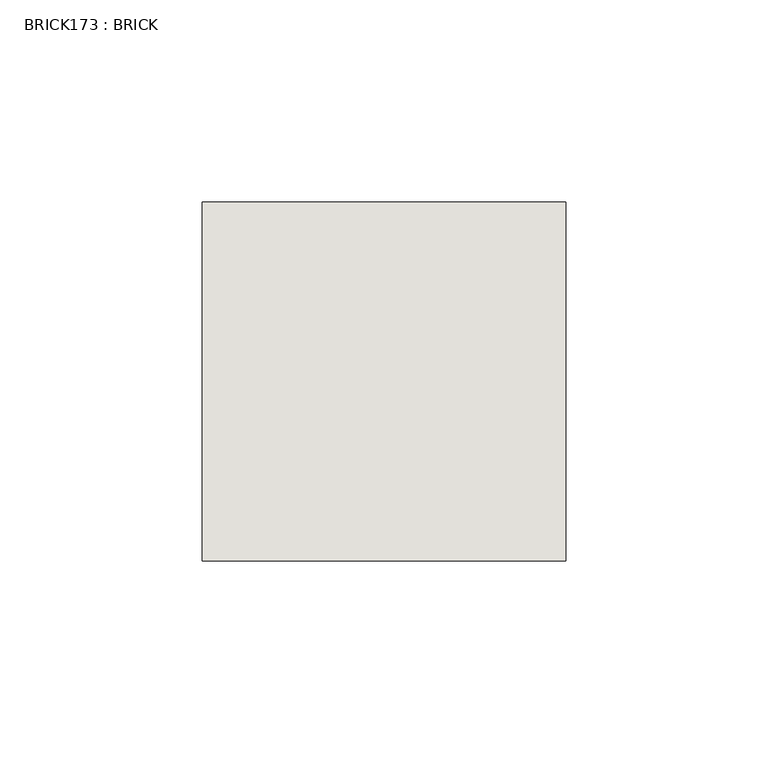
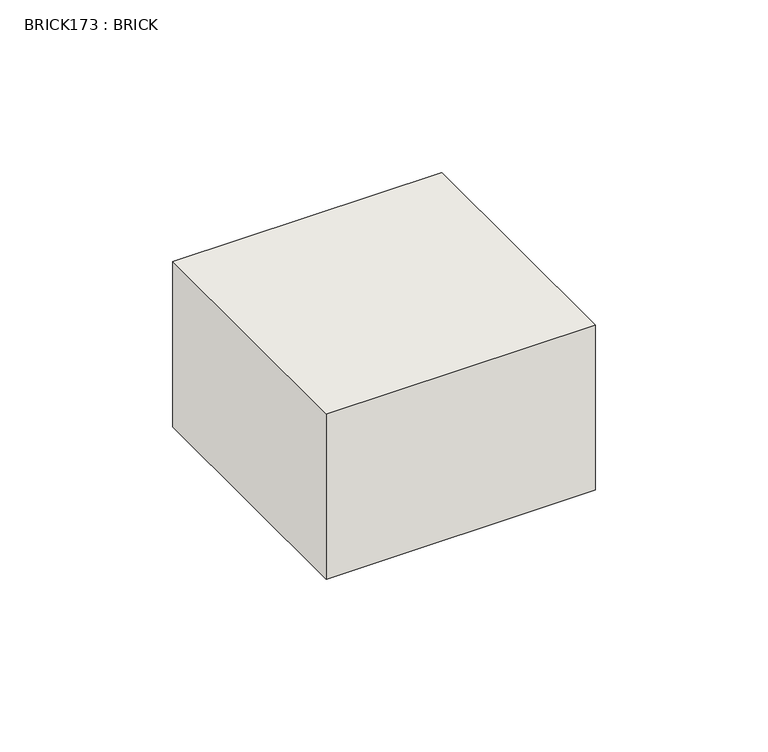
"""IFC4 building model written with IfcOpenShell, lengths in millimetres: wall geometry, BRICK173 : BRICK."""

from ifc_helpers import new_model, si_unit, frame, origin, place, context, project, spatial, polyline, outline, extrude, source, transform, mapped, element, save


def brick173_brick_fbd5df20(model_context):
    return source(origin(), model_context, "Body", "SweptSolid", [
        extrude(outline(polyline([(144.5425643, 3062.3923312), (234.5683761, 3062.3923312), (234.5683761, 2973.4923312), (144.5425643, 2973.4923312), (144.5425643, 3062.3923312)])), frame((0.0, 0.0, 235.9421875), z_axis=(0.0, 0.0, 1.0), x_axis=(1.0, 0.0, 0.0)), (0.0, 0.0, 1.0), 58.4398437),
    ])


if __name__ == "__main__":
    model = new_model("IFC4")
    model_context = context("Model", 3, world=origin())
    ifc_project = project(units=[si_unit("LENGTHUNIT", "METRE", prefix="MILLI")], contexts=[model_context])
    site = spatial("IfcSite", under=ifc_project)
    building = spatial("IfcBuilding", under=site)
    placement = place(None, origin())
    brick173_brick_shape = brick173_brick_fbd5df20(model_context)
    element("IfcWall", 1, ObjectType="BRICK173 : BRICK", at=placement, inside=building, context=model_context, shape_type="MappedRepresentation", body=[
        mapped(brick173_brick_shape, transform((0.0, 0.0, 0.0), x_axis=(1.0, 0.0, 0.0), y_axis=(0.0, 1.0, 0.0), z_axis=(0.0, 0.0, 1.0))),
    ])
    save(model, "model.ifc")
